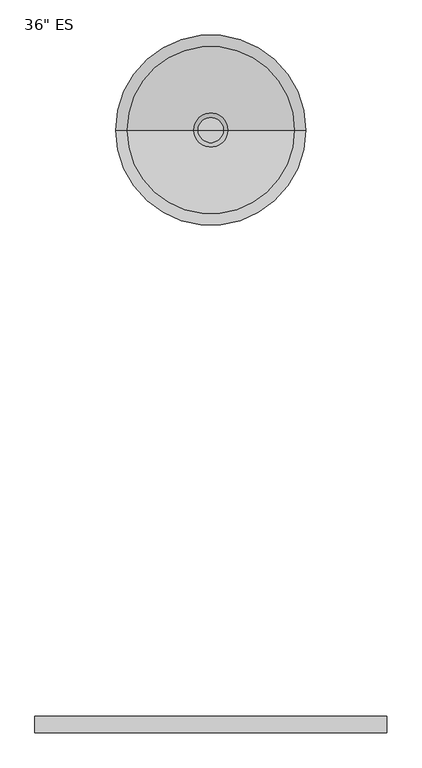
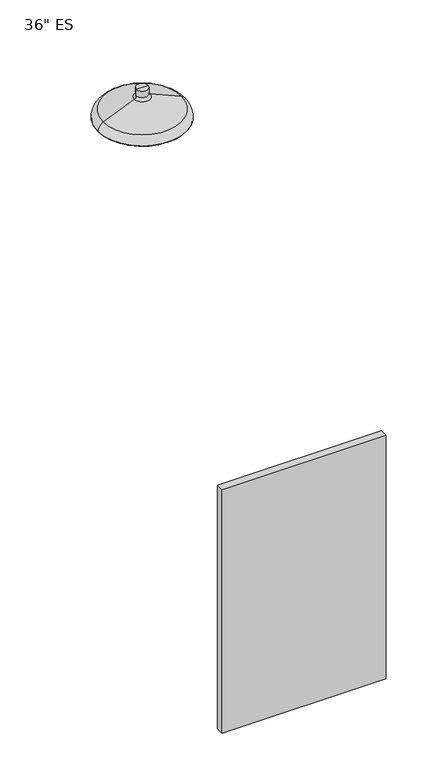
"""IFC4 building model written with IfcOpenShell, lengths in millimetres: flow terminal geometry."""

from ifc_helpers import new_model, si_unit, point, frame, origin, place, context, project, spatial, polyline, circle_curve, ellipse_curve, trimmed, outline, extrude, source, transform, mapped, element, save
from ifc_brep_helpers import plane_surface, cylinder_surface, revolved_surface, advanced_brep


def flow_terminal_411a6e65(model_context):
    return source(origin(), model_context, "Body", "SolidModel", [
        extrude(outline(polyline([(343.1035015, -913.5215393), (-190.2964985, -913.5215393), (-190.2964985, -888.1215393), (343.1035015, -888.1215393), (343.1035015, -913.5215393)])), frame((0.0, 0.0, 508.0), z_axis=(0.0, 0.0, 1.0), x_axis=(1.0, 0.0, 0.0)), (0.0, 0.0, 1.0), 838.2),
        advanced_brep(
        [(76.2, 0.0, 1981.2), (-67.9402814, 0.0, 1981.2), (220.3402814, 0.0, 1981.2), (95.25, 0.0, 2082.8), (57.15, 0.0, 2082.8), (76.2, 0.0, 2082.8), (95.25, 0.0, 2061.6453064), (57.15, 0.0, 2061.6453064), (102.0050902, 0.0, 2051.4394784), (50.3949098, 0.0, 2051.4394784), (202.8251209, 0.0, 2008.6439144), (-50.4251209, 0.0, 2008.6439144), (220.3402814, 0.0, 1982.1813934), (-67.9402814, 0.0, 1982.1813934)],
        [
            (0, 1),
            (1, 2, circle_curve(frame((76.2, 0.0, 1981.2), z_axis=(0.0, 0.0, -1.0), x_axis=(-1.0, 0.0, 0.0)), 144.1402814)),
            (2, 0),
            (2, 1, circle_curve(frame((76.2, 0.0, 1981.2), z_axis=(0.0, 0.0, -1.0), x_axis=(-1.0, 0.0, 0.0)), 144.1402814)),
            (3, 4, circle_curve(frame((76.2, 0.0, 2082.8), z_axis=(0.0, 0.0, 1.0), x_axis=(-1.0, 0.0, 0.0)), 19.05)),
            (4, 5),
            (5, 3),
            (4, 3, circle_curve(frame((76.2, 0.0, 2082.8), z_axis=(0.0, 0.0, 1.0), x_axis=(-1.0, 0.0, 0.0)), 19.05)),
            (6, 7, circle_curve(frame((76.2, 0.0, 2061.6453064), z_axis=(0.0, 0.0, 1.0), x_axis=(-1.0, 0.0, 0.0)), 19.05)),
            (7, 4),
            (3, 6),
            (7, 6, circle_curve(frame((76.2, 0.0, 2061.6453064), z_axis=(0.0, 0.0, 1.0), x_axis=(-1.0, 0.0, 0.0)), 19.05)),
            (8, 9, circle_curve(frame((76.2, 0.0, 2051.4394784), z_axis=(0.0, 0.0, 1.0), x_axis=(-1.0, 0.0, 0.0)), 25.8050902)),
            (9, 7, circle_curve(frame((46.0627928, 0.0, 2061.6453064), z_axis=(0.0, -1.0, 0.0), x_axis=(1.0, 0.0, 0.0)), 11.0872072)),
            (6, 8, circle_curve(frame((106.3372072, 0.0, 2061.6453064), z_axis=(0.0, -1.0, 0.0), x_axis=(-1.0, 0.0, 0.0)), 11.0872072)),
            (9, 8, circle_curve(frame((76.2, 0.0, 2051.4394784), z_axis=(0.0, 0.0, 1.0), x_axis=(-1.0, 0.0, 0.0)), 25.8050902)),
            (10, 11, circle_curve(frame((76.2, 0.0, 2008.6439144), z_axis=(0.0, 0.0, 1.0), x_axis=(-1.0, 0.0, 0.0)), 126.6251209)),
            (11, 9),
            (8, 10),
            (11, 10, circle_curve(frame((76.2, 0.0, 2008.6439144), z_axis=(0.0, 0.0, 1.0), x_axis=(-1.0, 0.0, 0.0)), 126.6251209)),
            (12, 13, circle_curve(frame((76.2, 0.0, 1982.1813934), z_axis=(0.0, 0.0, 1.0), x_axis=(-1.0, 0.0, 0.0)), 144.1402814)),
            (13, 11, circle_curve(frame((-39.1924472, 0.0, 1982.1813934), z_axis=(0.0, 1.0, 0.0), x_axis=(1.0, 0.0, 0.0)), 28.7478342)),
            (10, 12, circle_curve(frame((191.5924472, 0.0, 1982.1813934), z_axis=(0.0, 1.0, 0.0), x_axis=(-1.0, 0.0, 0.0)), 28.7478342)),
            (13, 12, circle_curve(frame((76.2, 0.0, 1982.1813934), z_axis=(0.0, 0.0, 1.0), x_axis=(-1.0, 0.0, 0.0)), 144.1402814)),
            (1, 13),
            (12, 2),
        ],
        [
            plane_surface(frame((76.2, 0.0, 1981.2), z_axis=(0.0, 0.0, -1.0), x_axis=(-1.0, 0.0, 0.0))),
            plane_surface(frame((76.2, 0.0, 2082.8), z_axis=(0.0, 0.0, 1.0), x_axis=(-1.0, 0.0, 0.0))),
            cylinder_surface(frame((76.2, 0.0, 2003.0453732), z_axis=(0.0, 0.0, -1.0), x_axis=(-1.0, 0.0, 0.0)), 19.05),
            revolved_surface(trimmed(ellipse_curve(frame((46.0627928, 0.0, 2061.6453064), z_axis=(0.0, 1.0, 0.0), x_axis=(1.0, 0.0, 0.0)), 11.0872072, 11.0872072), [point((57.15, 0.0, 2061.6453064))], [point((50.3949098, 0.0, 2051.4394784))], True, "CARTESIAN"), (76.2, 0.0, 2003.0453732), (0.0, 0.0, -1.0)),
            revolved_surface(polyline([(50.3949098, 0.0, 2051.4394784), (-50.4251209, 0.0, 2008.6439144)]), (76.2, 0.0, 2003.0453732), (0.0, 0.0, -1.0)),
            revolved_surface(trimmed(ellipse_curve(frame((-39.1924472, 0.0, 1982.1813934), z_axis=(0.0, -1.0, 0.0), x_axis=(1.0, 0.0, 0.0)), 28.7478342, 28.7478342), [point((-50.4251209, 0.0, 2008.6439144))], [point((-67.9402814, 0.0, 1982.1813934))], True, "CARTESIAN"), (76.2, 0.0, 2003.0453732), (0.0, 0.0, -1.0)),
            cylinder_surface(frame((76.2, 0.0, 2003.0453732), z_axis=(0.0, 0.0, -1.0), x_axis=(-1.0, 0.0, 0.0)), 144.1402814),
        ],
        [
            (0, [[1, 2, 3]]),
            (0, [[-3, 4, -1]]),
            (1, [[5, 6, 7]]),
            (1, [[8, -7, -6]]),
            (2, [[9, 10, -5, 11]]),
            (2, [[12, -11, -8, -10]]),
            (3, [[13, 14, -9, 15]]),
            (3, [[16, -15, -12, -14]]),
            (4, [[17, 18, -13, 19]]),
            (4, [[20, -19, -16, -18]]),
            (5, [[21, 22, -17, 23]]),
            (5, [[24, -23, -20, -22]]),
            (6, [[-2, 25, -21, 26]]),
            (6, [[-4, -26, -24, -25]]),
        ],
    ),
    ])


if __name__ == "__main__":
    model = new_model("IFC4")
    model_context = context("Model", 3, world=origin())
    ifc_project = project(units=[si_unit("LENGTHUNIT", "METRE", prefix="MILLI")], contexts=[model_context])
    site = spatial("IfcSite", under=ifc_project)
    building = spatial("IfcBuilding", under=site)
    placement = place(None, origin())
    flow_terminal_shape = flow_terminal_411a6e65(model_context)
    element("IfcFlowTerminal", 1, ObjectType="36\" ES", at=placement, inside=building, context=model_context, shape_type="MappedRepresentation", body=[
        mapped(flow_terminal_shape, transform((0.0, 0.0, 0.0), x_axis=(1.0, 0.0, 0.0), y_axis=(0.0, 1.0, 0.0), z_axis=(0.0, 0.0, 1.0))),
    ])
    save(model, "model.ifc")
